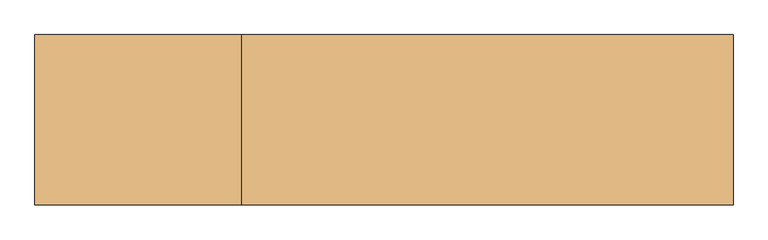
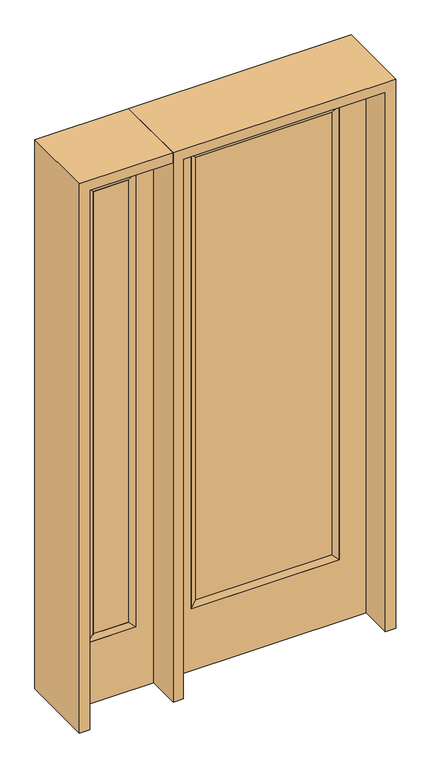
"""IFC4 building model written with IfcOpenShell, lengths in millimetres: door geometry."""

from ifc_helpers import new_model, si_unit, frame, origin, place, context, project, spatial, polyline, outline, extrude, faceted_brep, source, transform, mapped, element, save


def door_bee3fe6a(model_context):
    return source(origin(), model_context, "Body", "SolidModel", [
        extrude(outline(polyline([(290.9824, -12.7039749), (-290.9824, -12.7039749), (-290.9824, 14.2875), (290.9824, 14.2875), (290.9824, -12.7039749)])), frame((0.0, 0.0, 304.8), z_axis=(0.0, 0.0, 1.0), x_axis=(1.0, 0.0, 0.0)), (0.0, 0.0, 1.0), 2000.25),
        faceted_brep([(290.9824, 14.2875, 2305.05), (316.3824, 22.225, 2330.45), (316.3824, 22.225, 279.4), (290.9824, 14.2875, 304.8), (316.3824, -22.225, 2330.45), (316.3824, -22.225, 279.4), (-316.3824, 22.225, 279.4), (-290.9824, 14.2875, 304.8), (290.9824, -12.7039749, 2305.05), (290.9824, -12.7039749, 304.8), (-290.9824, -12.7039749, 304.8), (-316.3824, -22.225, 279.4), (-316.3824, 22.225, 2330.45), (-290.9824, 14.2875, 2305.05), (-290.9824, -12.7039749, 2305.05), (-316.3824, -22.225, 2330.45)], [[[0, 1, 2, 3]], [[1, 4, 5, 2]], [[3, 2, 6, 7]], [[8, 0, 3, 9]], [[9, 3, 7, 10]], [[4, 8, 9, 5]], [[5, 9, 10, 11]], [[2, 5, 11, 6]], [[7, 6, 12, 13]], [[10, 7, 13, 14]], [[11, 10, 14, 15]], [[6, 11, 15, 12]], [[13, 12, 1, 0]], [[14, 13, 0, 8]], [[15, 14, 8, 4]], [[12, 15, 4, 1]]]),
        extrude(outline(polyline([(0.0, -431.8), (0.0, 431.8), (2438.4, 431.8), (2438.4, -431.8), (0.0, -431.8)]), holes=[polyline([(279.4, -316.3824), (2330.45, -316.3824), (2330.45, 316.3824), (279.4, 316.3824), (279.4, -316.3824)])]), frame((0.0, -22.225, 0.0), z_axis=(0.0, 1.0, 0.0), x_axis=(0.0, 0.0, 1.0)), (0.0, 0.0, 1.0), 44.45),
        faceted_brep([(-552.45, 20.6375, 2330.45), (-552.45, -20.6375, 2330.45), (-552.45, -20.6375, 279.4), (-552.45, 20.6375, 279.4), (-577.85, -12.7, 2305.05), (-577.85, -12.7, 304.8), (-755.65, -20.6375, 279.4), (-755.65, 20.6375, 279.4), (-577.85, 12.7, 2305.05), (-577.85, 12.7, 304.8), (-730.25, 12.7, 304.8), (-730.25, -12.7, 304.8), (-755.65, -20.6375, 2330.45), (-755.65, 20.6375, 2330.45), (-730.25, 12.7, 2305.05), (-730.25, -12.7, 2305.05)], [[[0, 1, 2, 3]], [[1, 4, 5, 2]], [[3, 2, 6, 7]], [[8, 0, 3, 9]], [[9, 3, 7, 10]], [[4, 8, 9, 5]], [[5, 9, 10, 11]], [[2, 5, 11, 6]], [[7, 6, 12, 13]], [[10, 7, 13, 14]], [[11, 10, 14, 15]], [[6, 11, 15, 12]], [[13, 12, 1, 0]], [[14, 13, 0, 8]], [[15, 14, 8, 4]], [[12, 15, 4, 1]]]),
        extrude(outline(polyline([(0.0, -831.85), (0.0, -476.25), (2438.4, -476.25), (2438.4, -831.85), (0.0, -831.85)]), holes=[polyline([(2330.45, -552.45), (279.4, -552.45), (279.4, -755.65), (2330.45, -755.65), (2330.45, -552.45)])]), frame((0.0, -20.6375, 0.0), z_axis=(0.0, 1.0, 0.0), x_axis=(0.0, 0.0, 1.0)), (0.0, 0.0, 1.0), 41.275),
        extrude(outline(polyline([(-577.85, -12.7), (-730.25, -12.7), (-730.25, 12.7), (-577.85, 12.7), (-577.85, -12.7)])), frame((0.0, 0.0, 301.625), z_axis=(0.0, 0.0, 1.0), x_axis=(1.0, 0.0, 0.0)), (0.0, 0.0, 1.0), 2003.425),
        extrude(outline(polyline([(2438.4, -476.25), (2482.85, -476.25), (2482.85, -876.3), (0.0, -876.3), (0.0, -831.85), (2438.4, -831.85), (2438.4, -476.25)])), frame((0.0, -165.1, 0.0), z_axis=(0.0, 1.0, 0.0), x_axis=(0.0, 0.0, 1.0)), (0.0, 0.0, 1.0), 330.2),
        extrude(outline(polyline([(2482.85, -476.25), (0.0, -476.25), (0.0, -431.8), (2438.4, -431.8), (2438.4, 431.8), (0.0, 431.8), (0.0, 476.25), (2482.85, 476.25), (2482.85, -476.25)])), frame((0.0, -165.1, 0.0), z_axis=(0.0, 1.0, 0.0), x_axis=(0.0, 0.0, 1.0)), (0.0, 0.0, 1.0), 330.2),
    ])


if __name__ == "__main__":
    model = new_model("IFC4")
    model_context = context("Model", 3, world=origin())
    ifc_project = project(units=[si_unit("LENGTHUNIT", "METRE", prefix="MILLI")], contexts=[model_context])
    site = spatial("IfcSite", under=ifc_project)
    building = spatial("IfcBuilding", under=site)
    placement = place(None, origin())
    door_shape = door_bee3fe6a(model_context)
    element("IfcDoor", 1, at=placement, inside=building, context=model_context, shape_type="MappedRepresentation", body=[
        mapped(door_shape, transform((0.0, 0.0, 0.0), x_axis=(1.0, 0.0, 0.0), y_axis=(0.0, 1.0, 0.0), z_axis=(0.0, 0.0, 1.0))),
    ])
    save(model, "model.ifc")
